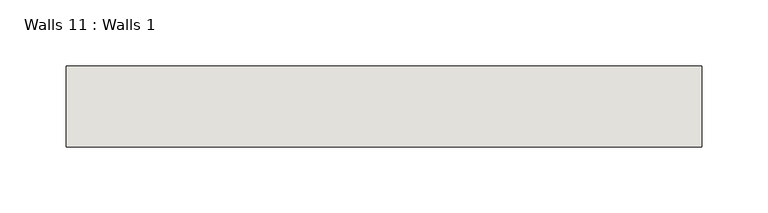
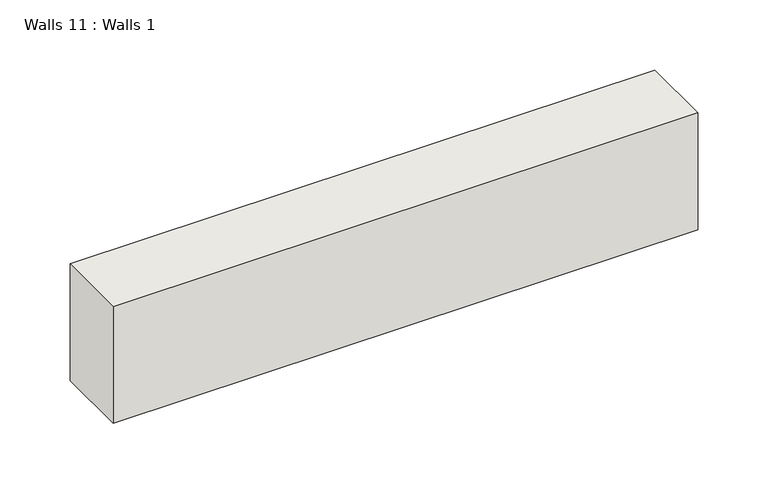
"""IFC4 building model written with IfcOpenShell, lengths in millimetres: wall geometry, Walls 11 : Walls 1."""

from ifc_helpers import new_model, si_unit, frame, origin, place, context, project, spatial, polyline, outline, extrude, source, transform, mapped, element, save


def walls_11_walls_1_29c2a0a9(model_context):
    return source(origin(), model_context, "Body", "SweptSolid", [
        extrude(outline(polyline([(176564.6448613, -28908.0799103), (176564.6448613, -28969.2305965), (176084.2810062, -28969.2305965), (176084.2810062, -28908.0799103), (176564.6448613, -28908.0799103)])), frame((0.0, 0.0, 6997.7), z_axis=(0.0, 0.0, 1.0), x_axis=(1.0, 0.0, 0.0)), (0.0, 0.0, 1.0), 101.6),
    ])


if __name__ == "__main__":
    model = new_model("IFC4")
    model_context = context("Model", 3, world=origin())
    ifc_project = project(units=[si_unit("LENGTHUNIT", "METRE", prefix="MILLI")], contexts=[model_context])
    site = spatial("IfcSite", under=ifc_project)
    building = spatial("IfcBuilding", under=site)
    placement = place(None, origin())
    walls_11_walls_1_shape = walls_11_walls_1_29c2a0a9(model_context)
    element("IfcWall", 1, ObjectType="Walls 11 : Walls 1", at=placement, inside=building, context=model_context, shape_type="MappedRepresentation", body=[
        mapped(walls_11_walls_1_shape, transform((0.0, 0.0, 0.0), x_axis=(1.0, 0.0, 0.0), y_axis=(0.0, 1.0, 0.0), z_axis=(0.0, 0.0, 1.0))),
    ])
    save(model, "model.ifc")
